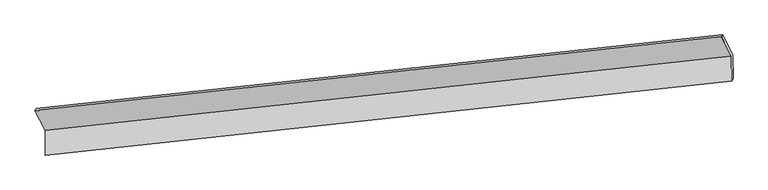
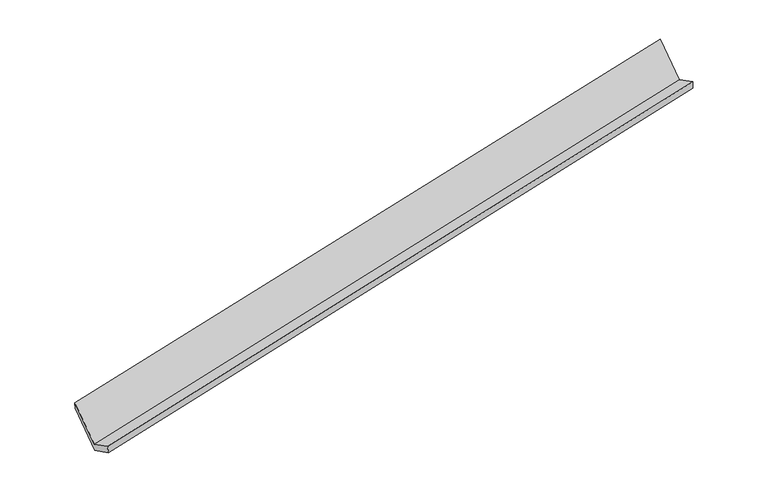
"""IFC4 building model written with IfcOpenShell, lengths in millimetres: proxy geometry."""

from ifc_helpers import new_model, si_unit, frame, origin, place, context, project, spatial, source, transform, mapped, element, save
from ifc_brep_helpers import plane_surface, spline_surface, advanced_brep


def generic_models_210f9605(model_context):
    return source(origin(), model_context, "Body", "AdvancedBrep", [
        advanced_brep(
        [(-8500.6727664, -2107.0464154, 564.2267889), (-8496.8289739, -2519.8224629, 770.8581718), (2864.8376826, -1286.8374067, 3067.2531006), (2860.9938901, -874.0613591, 2860.6217177), (-8470.9087261, -2497.9014113, 628.9159244), (2890.5913964, -1247.0326508, 2916.3584575), (-8474.7875741, -2081.3608343, 420.4000573), (2886.8790824, -848.375778, 2716.7949862), (-8644.212326, -1748.8464266, 1087.7973067), (2721.3856235, -523.5769582, 3368.7061031), (-8667.8032799, -1779.0346987, 1222.5865843), (2698.2948091, -554.7468083, 3501.5252332)],
        [
            (0, 1),
            (1, 2),
            (2, 3),
            (3, 0),
            (1, 4),
            (4, 5),
            (5, 2),
            (4, 6),
            (6, 7),
            (7, 5),
            (6, 8),
            (8, 9),
            (9, 7),
            (8, 10),
            (10, 11),
            (11, 9),
            (10, 0),
            (3, 11),
        ],
        [
            plane_surface(frame((-8498.7508702, -2313.4344392, 667.5424803), z_axis=(-0.22350157403307072, 0.4346467134162081, 0.8724272353160627), x_axis=(0.008326700239136536, -0.8941852111134165, 0.4476197876425732))),
            spline_surface(1, 1, [[(-8496.8289739, -2519.8224629, 770.8581718), (2864.8376826, -1286.8374067, 3067.2531006)], [(-8470.9087261, -2497.9014113, 628.9159244), (2890.5913964, -1247.0326508, 2916.3584575)]], [2, 2], [2, 2], [0.0, 1.0], [0.0, 1.0]),
            plane_surface(frame((-8472.8481501, -2289.6311228, 524.6579909), z_axis=(0.22350157403307175, -0.4346467134162985, -0.8724272353160174), x_axis=(-0.008326700239206276, 0.8941852111133625, -0.44761978764268007))),
            plane_surface(frame((-8559.49995, -1915.1036304, 754.098682), z_axis=(-0.006653656161278332, 0.8943665311221652, -0.4472854087360694), x_axis=(-0.22157162826729185, 0.43485829502345963, 0.8728139989690076))),
            spline_surface(1, 1, [[(-8644.212326, -1748.8464266, 1087.7973067), (2721.3856235, -523.5769582, 3368.7061031)], [(-8667.8032799, -1779.0346987, 1222.5865843), (2698.2948091, -554.7468083, 3501.5252332)]], [2, 2], [2, 2], [0.0, 1.0], [0.0, 1.0]),
            plane_surface(frame((-8584.2380232, -1943.040557, 893.4066866), z_axis=(0.006653656161295596, -0.8943665311221985, 0.4472854087360024), x_axis=(0.2215716282672825, -0.4348582950233919, -0.8728139989690438))),
            plane_surface(frame((2820.4970807, -889.1051602, 3071.8765997), z_axis=(0.9751085476038602, 0.1064475057267465, 0.19450513852966703), x_axis=(-0.16687989002029133, -0.2252679817732288, 0.9598986606380029))),
            plane_surface(frame((-8542.5356077, -2122.3353749, 782.4641389), z_axis=(-0.9751085476038581, -0.10644750572676308, -0.19450513852966778), x_axis=(-0.2215716282672908, 0.434858295023411, 0.8728139989690321))),
        ],
        [
            (0, [[1, 2, 3, 4]]),
            (1, [[5, 6, 7, -2]]),
            (2, [[8, 9, 10, -6]]),
            (3, [[11, 12, 13, -9]]),
            (4, [[14, 15, 16, -12]]),
            (5, [[17, -4, 18, -15]]),
            (6, [[-16, -18, -3, -7, -10, -13]]),
            (7, [[-17, -14, -11, -8, -5, -1]]),
        ],
    ),
    ])


if __name__ == "__main__":
    model = new_model("IFC4")
    model_context = context("Model", 3, world=origin())
    ifc_project = project(units=[si_unit("LENGTHUNIT", "METRE", prefix="MILLI")], contexts=[model_context])
    site = spatial("IfcSite", under=ifc_project)
    building = spatial("IfcBuilding", under=site)
    placement = place(None, origin())
    generic_models_shape = generic_models_210f9605(model_context)
    element("IfcBuildingElementProxy", 1, Name="Generic Models", at=placement, inside=building, context=model_context, shape_type="MappedRepresentation", body=[
        mapped(generic_models_shape, transform((0.0, 0.0, 0.0), x_axis=(1.0, 0.0, 0.0), y_axis=(0.0, 1.0, 0.0), z_axis=(0.0, 0.0, 1.0))),
    ])
    save(model, "model.ifc")
